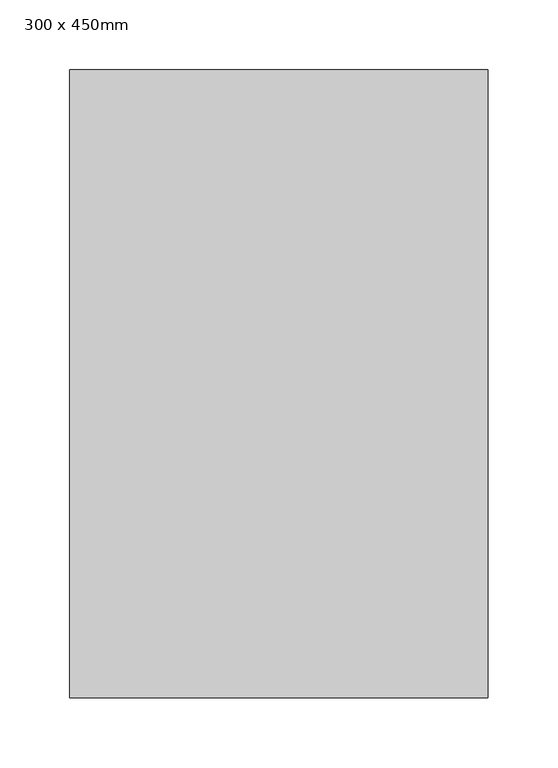
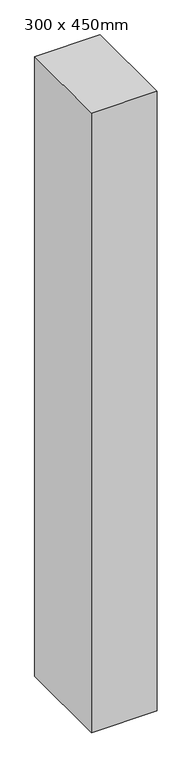
"""IFC4 building model written with IfcOpenShell, lengths in millimetres: column geometry, 300 x 450mm."""

from ifc_helpers import new_model, si_unit, origin, origin_with_axes, place, context, project, spatial, polyline, outline, extrude, source, transform, mapped, element, save


def column_300_x_450mm_5cd98a27(model_context):
    return source(origin(), model_context, "Body", "SweptSolid", [
        extrude(outline(polyline([(150.0, 225.0), (150.0, -225.0), (-150.0, -225.0), (-150.0, 225.0), (150.0, 225.0)])), origin_with_axes(), (0.0, 0.0, 1.0), 3000.0),
    ])


if __name__ == "__main__":
    model = new_model("IFC4")
    model_context = context("Model", 3, world=origin())
    ifc_project = project(units=[si_unit("LENGTHUNIT", "METRE", prefix="MILLI")], contexts=[model_context])
    site = spatial("IfcSite", under=ifc_project)
    building = spatial("IfcBuilding", under=site)
    placement = place(None, origin())
    column_300_x_450mm_shape = column_300_x_450mm_5cd98a27(model_context)
    element("IfcColumn", 1, ObjectType="300 x 450mm", at=placement, inside=building, context=model_context, shape_type="MappedRepresentation", body=[
        mapped(column_300_x_450mm_shape, transform((0.0, 0.0, 0.0), x_axis=(1.0, 0.0, 0.0), y_axis=(0.0, 1.0, 0.0), z_axis=(0.0, 0.0, 1.0))),
    ])
    save(model, "model.ifc")
